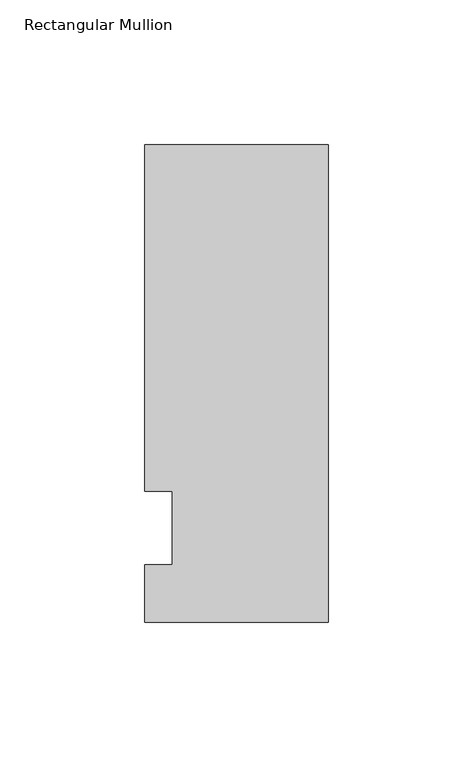
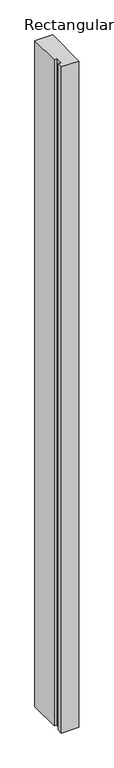
"""IFC4 building model written with IfcOpenShell, lengths in millimetres: member geometry, Rectangular Mullion."""

from ifc_helpers import new_model, si_unit, frame, origin, place, context, project, spatial, polyline, outline, extrude, source, transform, mapped, element, save


def rectangular_mullion_fd42f7ef(model_context):
    return source(origin(), model_context, "Body", "SweptSolid", [
        extrude(outline(polyline([(-63.5, -32.54375), (-63.5, -12.7), (-53.975, -12.7), (-53.975, 12.7), (-63.5, 12.7), (-63.5, 132.55625), (0.0, 132.55625), (0.0, -32.54375), (-63.5, -32.54375)])), frame((0.0, 0.0, -2540.0), z_axis=(0.0, 0.0, 1.0), x_axis=(1.0, 0.0, 0.0)), (0.0, 0.0, 1.0), 2540.0),
    ])


if __name__ == "__main__":
    model = new_model("IFC4")
    model_context = context("Model", 3, world=origin())
    ifc_project = project(units=[si_unit("LENGTHUNIT", "METRE", prefix="MILLI")], contexts=[model_context])
    site = spatial("IfcSite", under=ifc_project)
    building = spatial("IfcBuilding", under=site)
    placement = place(None, origin())
    rectangular_mullion_shape = rectangular_mullion_fd42f7ef(model_context)
    element("IfcMember", 1, ObjectType="Rectangular Mullion", at=placement, inside=building, context=model_context, shape_type="MappedRepresentation", body=[
        mapped(rectangular_mullion_shape, transform((0.0, 0.0, 0.0), x_axis=(1.0, 0.0, 0.0), y_axis=(0.0, 1.0, 0.0), z_axis=(0.0, 0.0, 1.0))),
    ])
    save(model, "model.ifc")
